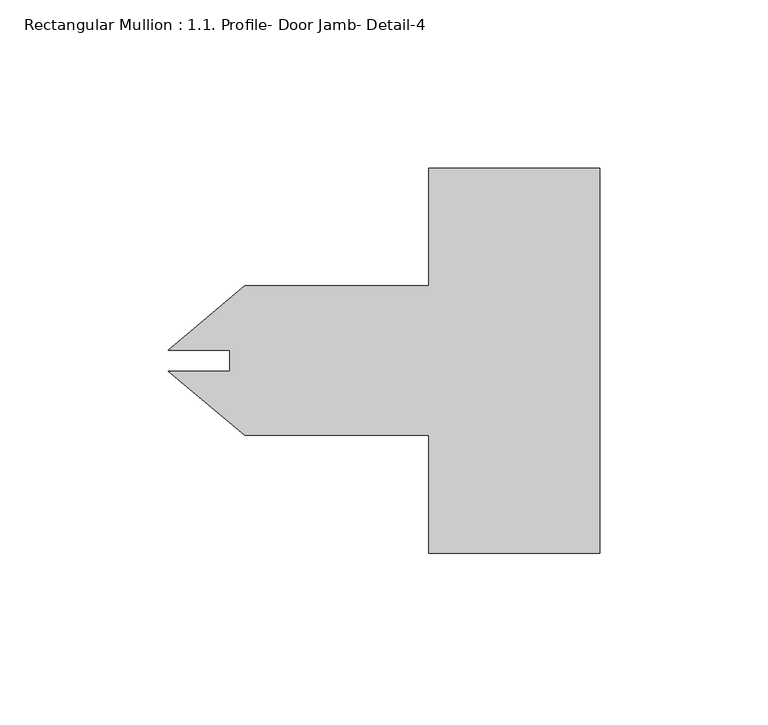
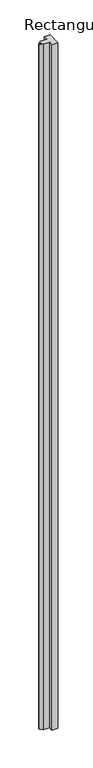
"""IFC4 building model written with IfcOpenShell, lengths in millimetres: member geometry, Rectangular Mullion : 1.1. Profile- Door Jamb- Detail-4."""

import ifcopenshell
import ifcopenshell.guid

model = None  # the IFC model being written
_history = None  # IfcOwnerHistory: only IFC2X3 demands one
_inside = {}  # id of a spatial element -> (the spatial element, [elements in it])
_under = {}  # id of a project, library or spatial element -> (it, [spatial elements below it])
_declared = {}  # id of a project -> (the project, [libraries it declares])
_typed = {}  # id of a type object -> (the type object, [elements of that type])
_made_of = {}  # id of a material, layer set ... -> (it, [elements and type objects made of it])


def new_model(schema):
    """Start an empty IFC model of exactly this schema.

    Asked for "IFC4X3", IfcOpenShell would pick the latest addendum, in which some entities
    have other attributes; the version numbers below select the first issue.
    IFC2X3 requires an IfcOwnerHistory on every rooted entity: one is made here for all.
    """
    global model, _history
    if schema == "IFC4X3":
        model = ifcopenshell.file(schema_version=(4, 3, 0, 0))
    else:
        model = ifcopenshell.file(schema=schema)
    _inside.clear()
    _under.clear()
    _declared.clear()
    _typed.clear()
    _made_of.clear()
    _history = None
    if model.schema == "IFC2X3":
        org = make("IfcOrganization", Name="unknown")
        user = make(
            "IfcPersonAndOrganization",
            ThePerson=make("IfcPerson", FamilyName="unknown"),
            TheOrganization=org,
        )
        app = make(
            "IfcApplication",
            ApplicationDeveloper=org,
            Version="unknown",
            ApplicationFullName="unknown",
            ApplicationIdentifier="unknown",
        )
        _history = make(
            "IfcOwnerHistory",
            OwningUser=user,
            OwningApplication=app,
            ChangeAction="ADDED",
            CreationDate=0,
        )
    return model


def make(cls, **values):
    """One entity of the class cls with the attributes given. An attribute that is None is left unset."""
    return model.create_entity(
        cls, **{name: value for name, value in values.items() if value is not None}
    )


def rooted(cls, **values):
    """An entity with a GlobalId (a new one), such as an element, a storey or a relation."""
    return make(cls, GlobalId=ifcopenshell.guid.new(), OwnerHistory=_history, **values)


def si_unit(unit_type, name, prefix=None):
    """IfcSIUnit, for example si_unit("LENGTHUNIT", "METRE", prefix="MILLI")."""
    return make("IfcSIUnit", UnitType=unit_type, Prefix=prefix, Name=name)


def assignment(units):
    """IfcUnitAssignment: the units of a project."""
    return None if units is None else make("IfcUnitAssignment", Units=units)


def point(xyz):
    """IfcCartesianPoint."""
    return None if xyz is None else make("IfcCartesianPoint", Coordinates=xyz)


def direction(xyz):
    """IfcDirection."""
    return None if xyz is None else make("IfcDirection", DirectionRatios=xyz)


def frame(location, z_axis=None, x_axis=None):
    """IfcAxis2Placement3D, a coordinate frame: its origin and axes. An axis left out is left unset."""
    return make(
        "IfcAxis2Placement3D",
        Location=point(location),
        Axis=direction(z_axis),
        RefDirection=direction(x_axis),
    )


def origin():
    """The frame at (0, 0, 0) with its axes left unset."""
    return frame((0.0, 0.0, 0.0))


def place(relative_to, where):
    """IfcLocalPlacement: puts the frame where relative to a parent placement (None: the world)."""
    return make(
        "IfcLocalPlacement", PlacementRelTo=relative_to, RelativePlacement=where
    )


def context(
    kind, dimensions, precision=None, world=None, true_north=None, identifier=None
):
    """IfcGeometricRepresentationContext, for example the 3D "Model" context."""
    return make(
        "IfcGeometricRepresentationContext",
        ContextIdentifier=identifier,
        ContextType=kind,
        CoordinateSpaceDimension=dimensions,
        Precision=precision,
        WorldCoordinateSystem=world,
        TrueNorth=true_north,
    )


def project(units=None, contexts=None):
    """IfcProject with its units and contexts."""
    return rooted(
        "IfcProject",
        Name="project",
        RepresentationContexts=contexts,
        UnitsInContext=assignment(units),
    )


def spatial(cls, under=None, at=None, **own):
    """A site, building, storey or space (cls), placed at a placement, below another one or the project."""
    s = rooted(cls, ObjectPlacement=at, **own)
    if under is not None:
        _under.setdefault(under.id(), (under, []))[1].append(s)
    return s


def polyline(points):
    """IfcPolyline through the points."""
    return make("IfcPolyline", Points=[point(p) for p in points])


def outline(outer, holes=None, kind="AREA"):
    """IfcArbitraryClosedProfileDef: a profile drawn as a closed curve; with holes, ...WithVoids."""
    if holes is None:
        return make("IfcArbitraryClosedProfileDef", ProfileType=kind, OuterCurve=outer)
    return make(
        "IfcArbitraryProfileDefWithVoids",
        ProfileType=kind,
        OuterCurve=outer,
        InnerCurves=holes,
    )


def extrude(swept, where, along, depth):
    """IfcExtrudedAreaSolid: the profile swept, set in the frame where, extruded along a direction by depth."""
    return make(
        "IfcExtrudedAreaSolid",
        SweptArea=swept,
        Position=where,
        ExtrudedDirection=direction(along),
        Depth=depth,
    )


def shape(context_of_items, identifier, shape_type, items):
    """IfcShapeRepresentation: the items that make up one representation, for example the "Body"."""
    return make(
        "IfcShapeRepresentation",
        ContextOfItems=context_of_items,
        RepresentationIdentifier=identifier,
        RepresentationType=shape_type,
        Items=items,
    )


def source(mapping_origin, context_of_items, identifier, shape_type, items):
    """IfcRepresentationMap: a shape defined once, which mapped items show again and again."""
    return make(
        "IfcRepresentationMap",
        MappingOrigin=mapping_origin,
        MappedRepresentation=shape(context_of_items, identifier, shape_type, items),
    )


def transform(
    local_origin,
    x_axis=None,
    y_axis=None,
    z_axis=None,
    scale=None,
    scale2=None,
    scale3=None,
    uniform=True,
):
    """IfcCartesianTransformationOperator3D, or its non-uniform kind. x_axis, y_axis, z_axis: its Axis1, 2, 3."""
    if uniform:
        return make(
            "IfcCartesianTransformationOperator3D",
            Axis1=direction(x_axis),
            Axis2=direction(y_axis),
            LocalOrigin=point(local_origin),
            Scale=scale,
            Axis3=direction(z_axis),
        )
    return make(
        "IfcCartesianTransformationOperator3DnonUniform",
        Axis1=direction(x_axis),
        Axis2=direction(y_axis),
        LocalOrigin=point(local_origin),
        Scale=scale,
        Axis3=direction(z_axis),
        Scale2=scale2,
        Scale3=scale3,
    )


def mapped(mapping_source, mapping_target):
    """IfcMappedItem: shows the shape of a source again, moved by a transform."""
    return make(
        "IfcMappedItem", MappingSource=mapping_source, MappingTarget=mapping_target
    )


def made_of(thing, what):
    """Note that an element or type object is made of a material, layer set ...; save() writes the relation."""
    if what is not None:
        _made_of.setdefault(what.id(), (what, []))[1].append(thing)
    return thing


def element(
    cls,
    number,
    at=None,
    inside=None,
    cuts=None,
    type_object=None,
    material=None,
    context=None,
    identifier="Body",
    shape_type=None,
    held_by="IfcProductDefinitionShape",
    body=None,
    shapes=None,
    **own,
):
    """One element of the class cls, such as IfcWall. Its Tag is "e" and its number.

    at: its placement. inside: the storey or other place that contains it. cuts: it is an
    opening in that element (IfcRelVoidsElement). A single representation is given by context,
    identifier, shape_type and body (its items); several are given by shapes. held_by: the class
    of the entity that holds the representations. save() writes the other relations.
    """
    e = rooted(cls, Tag="e%d" % number, ObjectPlacement=at, **own)
    if body is not None:
        shapes = [shape(context, identifier, shape_type, body)]
    if shapes is not None:
        e.Representation = make(held_by, Representations=shapes)
    if inside is not None:
        _inside.setdefault(inside.id(), (inside, []))[1].append(e)
    if cuts is not None:
        rooted(
            "IfcRelVoidsElement", RelatingBuildingElement=cuts, RelatedOpeningElement=e
        )
    if type_object is not None:
        _typed.setdefault(type_object.id(), (type_object, []))[1].append(e)
    return made_of(e, material)


def aggregate(whole, parts):
    """IfcRelAggregates: a whole, such as a stair, and the parts it consists of."""
    return rooted("IfcRelAggregates", RelatingObject=whole, RelatedObjects=parts)


def save(model, path):
    """Write the relations noted so far, then the file.

    IfcRelAggregates (storeys below a building ...), IfcRelContainedInSpatialStructure (elements
    in a storey), IfcRelDefinesByType, IfcRelAssociatesMaterial and IfcRelDeclares: one each for
    every whole, place, type object, material and project.
    """
    for whole, parts in _under.values():
        aggregate(whole, parts)
    for where, things in _inside.values():
        rooted(
            "IfcRelContainedInSpatialStructure",
            RelatedElements=things,
            RelatingStructure=where,
        )
    for kind, things in _typed.values():
        rooted("IfcRelDefinesByType", RelatedObjects=things, RelatingType=kind)
    for what, things in _made_of.values():
        rooted("IfcRelAssociatesMaterial", RelatedObjects=things, RelatingMaterial=what)
    for by, libraries in _declared.values():
        rooted("IfcRelDeclares", RelatingContext=by, RelatedDefinitions=libraries)
    model.write(path)


def rectangular_mullion_1_1_profile_door_jamb_detail_4_1cbca525(model_context):
    return source(origin(), model_context, "Body", "SweptSolid", [
        extrude(outline(polyline([(-50.8, 57.15), (0.0, 57.15), (0.0, -57.15), (-50.8, -57.15), (-50.8, -22.225), (-105.4576397, -22.225), (-128.1759723, -3.1620555), (-109.907458, -3.1620555), (-109.907458, 3.1620555), (-128.1759723, 3.1620555), (-105.4576397, 22.225), (-50.8, 22.225), (-50.8, 57.15)])), frame((0.0, 0.0, -6096.0), z_axis=(0.0, 0.0, 1.0), x_axis=(1.0, 0.0, 0.0)), (0.0, 0.0, 1.0), 6096.0),
    ])


if __name__ == "__main__":
    model = new_model("IFC4")
    model_context = context("Model", 3, world=origin())
    ifc_project = project(units=[si_unit("LENGTHUNIT", "METRE", prefix="MILLI")], contexts=[model_context])
    site = spatial("IfcSite", under=ifc_project)
    building = spatial("IfcBuilding", under=site)
    placement = place(None, origin())
    rectangular_mullion_1_1_profile_door_jamb_detail_4_shape = rectangular_mullion_1_1_profile_door_jamb_detail_4_1cbca525(model_context)
    element("IfcMember", 1, ObjectType="Rectangular Mullion : 1.1. Profile- Door Jamb- Detail-4", at=placement, inside=building, context=model_context, shape_type="MappedRepresentation", body=[
        mapped(rectangular_mullion_1_1_profile_door_jamb_detail_4_shape, transform((0.0, 0.0, 0.0), x_axis=(1.0, 0.0, 0.0), y_axis=(0.0, 1.0, 0.0), z_axis=(0.0, 0.0, 1.0))),
    ])
    save(model, "model.ifc")
